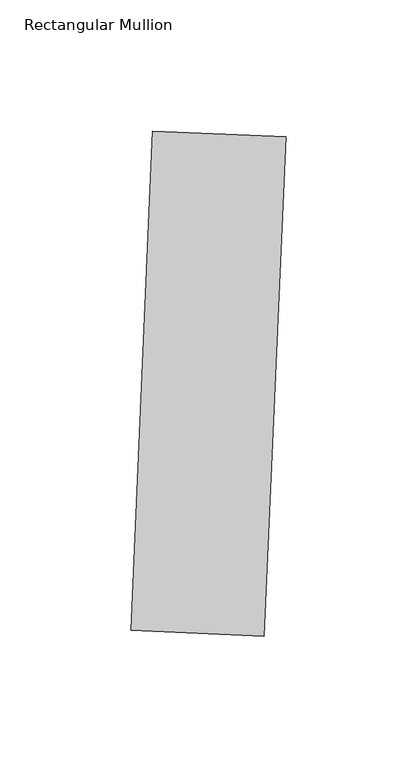
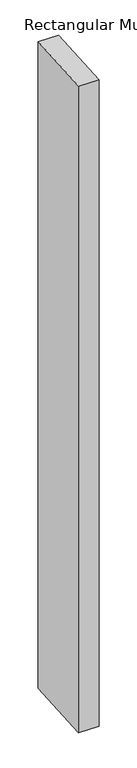
"""IFC4 building model written with IfcOpenShell, lengths in millimetres: member geometry, Rectangular Mullion."""

from ifc_helpers import new_model, si_unit, frame, origin, place, context, project, spatial, polyline, outline, extrude, source, transform, mapped, element, save


def rectangular_mullion_54dc0c4f(model_context):
    return source(origin(), model_context, "Body", "SweptSolid", [
        extrude(outline(polyline([(18.7282302, -153.3628814), (-32.0234195, -151.1470165), (-23.7139262, 39.1716697), (27.0377235, 36.9558048), (18.7282302, -153.3628814)])), frame((0.0, 0.0, -1720.85), z_axis=(0.0, 0.0, 1.0), x_axis=(1.0, 0.0, 0.0)), (0.0, 0.0, 1.0), 1720.85),
    ])


if __name__ == "__main__":
    model = new_model("IFC4")
    model_context = context("Model", 3, world=origin())
    ifc_project = project(units=[si_unit("LENGTHUNIT", "METRE", prefix="MILLI")], contexts=[model_context])
    site = spatial("IfcSite", under=ifc_project)
    building = spatial("IfcBuilding", under=site)
    placement = place(None, origin())
    rectangular_mullion_shape = rectangular_mullion_54dc0c4f(model_context)
    element("IfcMember", 1, ObjectType="Rectangular Mullion", at=placement, inside=building, context=model_context, shape_type="MappedRepresentation", body=[
        mapped(rectangular_mullion_shape, transform((0.0, 0.0, 0.0), x_axis=(1.0, 0.0, 0.0), y_axis=(0.0, 1.0, 0.0), z_axis=(0.0, 0.0, 1.0))),
    ])
    save(model, "model.ifc")
